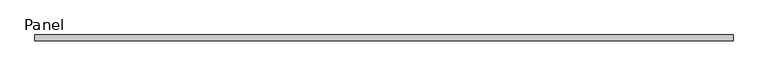
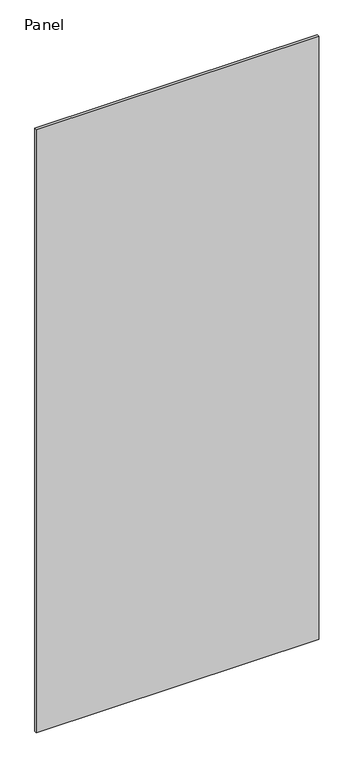
"""IFC4 building model written with IfcOpenShell, lengths in millimetres: plate geometry, Panel."""

from ifc_helpers import new_model, si_unit, frame, origin, place, context, project, spatial, polyline, outline, extrude, source, transform, mapped, element, save


def panel_c6b27fec(model_context):
    return source(origin(), model_context, "Body", "SweptSolid", [
        extrude(outline(polyline([(577.05625, 31.75), (-602.45625, 31.75), (-602.45625, 41.275), (577.05625, 41.275), (577.05625, 31.75)])), frame((0.0, 0.0, -25.4), z_axis=(0.0, 0.0, 1.0), x_axis=(1.0, 0.0, 0.0)), (0.0, 0.0, 1.0), 2663.825),
    ])


if __name__ == "__main__":
    model = new_model("IFC4")
    model_context = context("Model", 3, world=origin())
    ifc_project = project(units=[si_unit("LENGTHUNIT", "METRE", prefix="MILLI")], contexts=[model_context])
    site = spatial("IfcSite", under=ifc_project)
    building = spatial("IfcBuilding", under=site)
    placement = place(None, origin())
    panel_shape = panel_c6b27fec(model_context)
    element("IfcPlate", 1, ObjectType="Panel", at=placement, inside=building, context=model_context, shape_type="MappedRepresentation", body=[
        mapped(panel_shape, transform((0.0, 0.0, 0.0), x_axis=(1.0, 0.0, 0.0), y_axis=(0.0, 1.0, 0.0), z_axis=(0.0, 0.0, 1.0))),
    ])
    save(model, "model.ifc")
